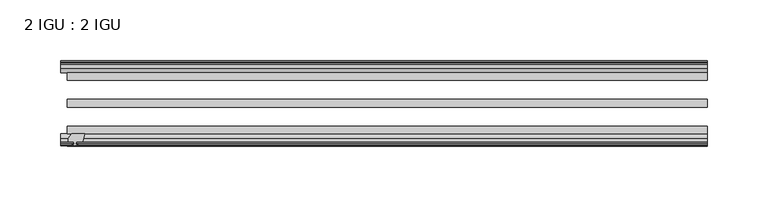
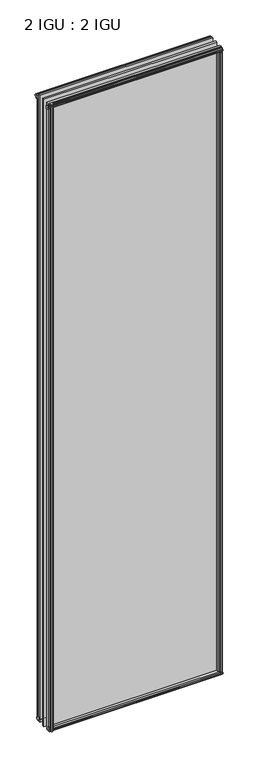
"""IFC4 building model written with IfcOpenShell, lengths in millimetres: plate geometry, 2 IGU : 2 IGU."""

from ifc_helpers import new_model, si_unit, frame, origin, origin_with_axes, place, context, project, spatial, polyline, outline, extrude, source, transform, mapped, element, save


def plate_2_igu_2_igu_bf543eb2(model_context):
    return source(origin(), model_context, "Body", "SweptSolid", [
        extrude(outline(polyline([(-249.0914069, -69.9960936), (-250.809125, -76.3460936), (-256.016125, -76.3460936), (-256.397125, -78.7262905), (-254.9815959, -78.2663573), (-254.9815959, -79.0675715), (-257.159125, -79.7750936), (-259.3366541, -79.0675715), (-259.3366541, -78.2663573), (-257.921125, -78.7262905), (-258.302125, -76.3460936), (-262.747125, -76.3460936), (-262.747125, -73.3996936), (-259.9127828, -69.9960936), (-249.0914069, -69.9960936)])), frame((0.0, 0.0, -12.303125), z_axis=(0.0, 0.0, 1.0), x_axis=(1.0, 0.0, 0.0)), (0.0, 0.0, 1.0), 2018.661825),
        extrude(outline(polyline([(255.5022959, -10.4746158), (257.679825, -9.7670937), (259.8573541, -10.4746158), (259.8573541, -11.27583), (258.441825, -10.8158968), (258.822825, -13.1960937), (263.267825, -13.1960937), (263.267825, -16.1424937), (260.4334828, -19.5460937), (249.6121069, -19.5460937), (251.329825, -13.1960937), (256.536825, -13.1960937), (256.917825, -10.8158968), (255.5022959, -11.27583), (255.5022959, -10.4746158)])), origin_with_axes(), (0.0, 0.0, 1.0), 1993.9),
        extrude(outline(polyline([(-19.5460937, 1.5938931), (-13.1960937, -0.123825), (-13.1960937, -5.330825), (-10.8158968, -5.711825), (-11.27583, -4.2962959), (-10.4746158, -4.2962959), (-9.7670937, -6.473825), (-10.4746158, -8.6513541), (-11.27583, -8.6513541), (-10.8158968, -7.235825), (-13.1960937, -7.616825), (-13.1960937, -12.061825), (-16.1424937, -12.061825), (-19.5460937, -9.2274828), (-19.5460937, 1.5938931)])), frame((-263.509125, 0.0, 0.0), z_axis=(1.0, 0.0, 0.0), x_axis=(0.0, 1.0, 0.0)), (0.0, 0.0, 1.0), 527.01825),
        extrude(outline(polyline([(-69.9960936, 2.1145931), (-69.9960936, -8.7067828), (-73.3996936, -11.541125), (-76.3460936, -11.541125), (-76.3460936, -7.096125), (-78.7262905, -6.715125), (-78.2663573, -8.1306541), (-79.0675715, -8.1306541), (-79.7750936, -5.953125), (-79.0675715, -3.7755959), (-78.2663573, -3.7755959), (-78.7262905, -5.191125), (-76.3460936, -4.810125), (-76.3460936, 0.396875), (-69.9960936, 2.1145931)])), frame((-263.509125, 0.0, 0.0), z_axis=(1.0, 0.0, 0.0), x_axis=(0.0, 1.0, 0.0)), (0.0, 0.0, 1.0), 527.01825),
        extrude(outline(polyline([(-10.8158968, 2001.5327), (-11.27583, 2002.9482291), (-10.4746158, 2002.9482291), (-9.7670937, 2000.7707), (-10.4746158, 1998.5931709), (-11.27583, 1998.5931709), (-10.8158968, 2000.0087), (-13.1960937, 1999.6277), (-13.1960937, 1994.4207), (-19.5460937, 1992.7029819), (-19.5460937, 2003.5243578), (-16.1424937, 2006.3587), (-13.1960937, 2006.3587), (-13.1960937, 2001.9137), (-10.8158968, 2001.5327)])), frame((-268.8552309, 0.0, 0.0), z_axis=(1.0, 0.0, 0.0), x_axis=(0.0, 1.0, 0.0)), (0.0, 0.0, 1.0), 532.3643559),
        extrude(outline(polyline([(-76.3460936, 2005.838), (-73.3996936, 2005.838), (-69.9960936, 2003.0036578), (-69.9960936, 1992.1822819), (-76.3460936, 1993.9), (-76.3460936, 1999.107), (-78.7262905, 1999.488), (-78.2663573, 1998.0724709), (-79.0675715, 1998.0724709), (-79.7750936, 2000.25), (-79.0675715, 2002.4275291), (-78.2663573, 2002.4275291), (-78.7262905, 2001.012), (-76.3460936, 2001.393), (-76.3460936, 2005.838)])), frame((-268.8552309, 0.0, 0.0), z_axis=(1.0, 0.0, 0.0), x_axis=(0.0, 1.0, 0.0)), (0.0, 0.0, 1.0), 532.3643559),
        extrude(outline(polyline([(249.0914069, -69.9960936), (259.9127828, -69.9960936), (262.747125, -73.3996936), (262.747125, -76.3460936), (258.302125, -76.3460936), (257.921125, -78.7262905), (259.3366541, -78.2663573), (259.3366541, -79.0675715), (257.159125, -79.7750936), (254.9815959, -79.0675715), (254.9815959, -78.2663573), (256.397125, -78.7262905), (256.016125, -76.3460936), (250.809125, -76.3460936), (249.0914069, -69.9960936)])), origin_with_axes(), (0.0, 0.0, 1.0), 1993.9),
        extrude(outline(polyline([(-257.679825, -9.7670937), (-255.5022959, -10.4746158), (-255.5022959, -11.27583), (-256.917825, -10.8158968), (-256.536825, -13.1960937), (-251.329825, -13.1960937), (-249.6121069, -19.5460937), (-260.4334828, -19.5460937), (-263.267825, -16.1424937), (-263.267825, -13.1960937), (-258.822825, -13.1960937), (-258.441825, -10.8158968), (-259.8573541, -11.27583), (-259.8573541, -10.4746158), (-257.679825, -9.7670937)])), origin_with_axes(), (0.0, 0.0, 1.0), 1993.9),
        extrude(outline(polyline([(263.509125, -19.5460937), (263.509125, -25.8960937), (-263.509125, -25.8960937), (-263.509125, -19.5460937), (263.509125, -19.5460937)])), frame((0.0, 0.0, -12.303125), z_axis=(0.0, 0.0, 1.0), x_axis=(1.0, 0.0, 0.0)), (0.0, 0.0, 1.0), 2018.903125),
        extrude(outline(polyline([(-263.509125, -41.5960937), (263.509125, -41.5960937), (263.509125, -47.9460937), (-263.509125, -47.9460937), (-263.509125, -41.5960937)])), frame((0.0, 0.0, -12.303125), z_axis=(0.0, 0.0, 1.0), x_axis=(1.0, 0.0, 0.0)), (0.0, 0.0, 1.0), 2018.903125),
        extrude(outline(polyline([(263.509125, -63.6460936), (263.509125, -69.9960936), (-263.509125, -69.9960936), (-263.509125, -63.6460936), (263.509125, -63.6460936)])), frame((0.0, 0.0, -12.303125), z_axis=(0.0, 0.0, 1.0), x_axis=(1.0, 0.0, 0.0)), (0.0, 0.0, 1.0), 2018.903125),
    ])


if __name__ == "__main__":
    model = new_model("IFC4")
    model_context = context("Model", 3, world=origin())
    ifc_project = project(units=[si_unit("LENGTHUNIT", "METRE", prefix="MILLI")], contexts=[model_context])
    site = spatial("IfcSite", under=ifc_project)
    building = spatial("IfcBuilding", under=site)
    placement = place(None, origin())
    plate_2_igu_2_igu_shape = plate_2_igu_2_igu_bf543eb2(model_context)
    element("IfcPlate", 1, ObjectType="2 IGU : 2 IGU", at=placement, inside=building, context=model_context, shape_type="MappedRepresentation", body=[
        mapped(plate_2_igu_2_igu_shape, transform((0.0, 0.0, 0.0), x_axis=(1.0, 0.0, 0.0), y_axis=(0.0, 1.0, 0.0), z_axis=(0.0, 0.0, 1.0))),
    ])
    save(model, "model.ifc")
